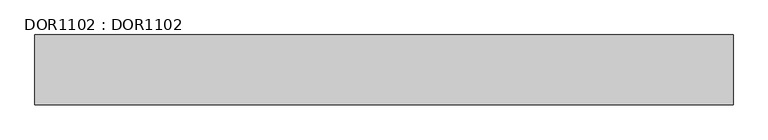
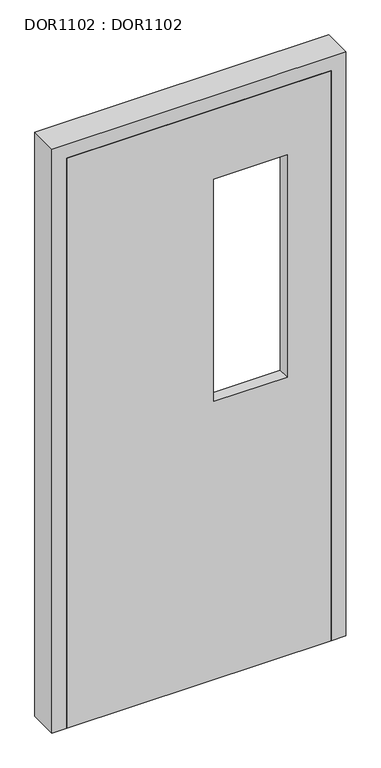
"""IFC4 building model written with IfcOpenShell, lengths in millimetres: proxy geometry, DOR1102 : DOR1102."""

from ifc_helpers import new_model, si_unit, frame, origin, place, context, project, spatial, polyline, outline, extrude, faceted_brep, source, transform, mapped, element, save


def dor1102_dor1102_ef3cc50d(model_context):
    return source(origin(), model_context, "Body", "SolidModel", [
        extrude(outline(polyline([(2050.0000156, 950.0000072), (2050.0000156, 50.0000004), (0.0, 50.0000004), (0.0, 950.0000072), (2050.0000156, 950.0000072)]), holes=[polyline([(1800.0000137, 550.0000042), (1800.0000137, 800.0000061), (1000.0000076, 800.0000061), (1000.0000076, 550.0000042), (1800.0000137, 550.0000042)])]), frame((0.0, -100.0187192, 0.0), z_axis=(0.0, 1.0, 0.0), x_axis=(0.0, 0.0, 1.0)), (0.0, 0.0, 1.0), 40.0000021),
        faceted_brep([(0.0, -0.0187185, 2100.000016), (0.0, -100.0, 2100.000016), (1000.0000076, -100.0187192, 2100.000016), (1000.0000076, -0.0187185, 2100.000016), (50.0, -0.0187185, 0.0), (50.0, -100.0, 0.0), (0.0, -100.0, 0.0), (0.0, -0.0187185, 0.0), (1000.0000076, -0.0187185, 0.0), (1000.0000076, -100.0187192, 0.0), (950.0000072, -100.0187192, 0.0), (950.0000072, -0.0187185, 0.0), (950.0000072, -0.0187185, 2050.0000156), (50.0, -0.0187185, 2050.0000156), (50.0, -100.0, 2050.0000156), (950.0000072, -100.0, 2050.0000156)], [[[0, 1, 2, 3]], [[4, 5, 6, 7]], [[8, 9, 10, 11]], [[0, 3, 8, 11, 12, 13, 4, 7]], [[1, 0, 7, 6]], [[2, 1, 6, 5, 14, 15, 10, 9]], [[5, 4, 13, 14]], [[11, 10, 15, 12]], [[3, 2, 9, 8]], [[15, 14, 13, 12]]]),
    ])


if __name__ == "__main__":
    model = new_model("IFC4")
    model_context = context("Model", 3, world=origin())
    ifc_project = project(units=[si_unit("LENGTHUNIT", "METRE", prefix="MILLI")], contexts=[model_context])
    site = spatial("IfcSite", under=ifc_project)
    building = spatial("IfcBuilding", under=site)
    placement = place(None, origin())
    dor1102_dor1102_shape = dor1102_dor1102_ef3cc50d(model_context)
    element("IfcBuildingElementProxy", 1, Name="DOR1102 : DOR1102", ObjectType="DOR1102 : DOR1102", at=placement, inside=building, context=model_context, shape_type="MappedRepresentation", body=[
        mapped(dor1102_dor1102_shape, transform((0.0, 0.0, 0.0), x_axis=(1.0, 0.0, 0.0), y_axis=(0.0, 1.0, 0.0), z_axis=(0.0, 0.0, 1.0))),
    ])
    save(model, "model.ifc")
